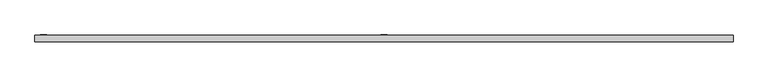
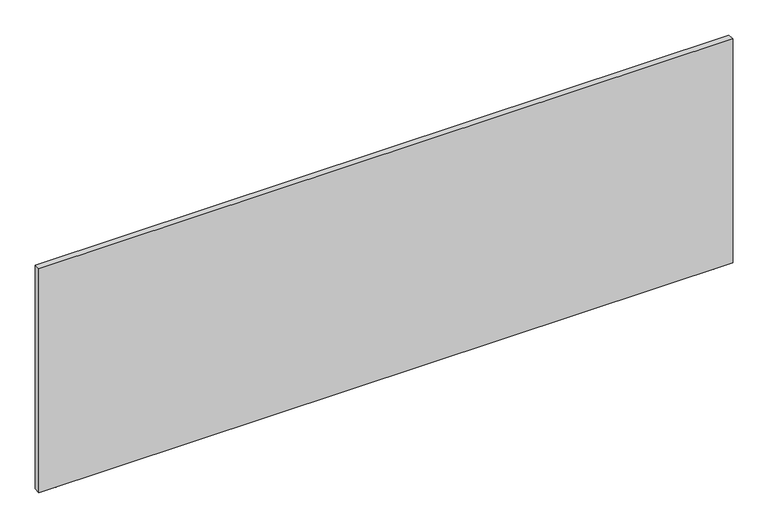
"""IFC4 building model written with IfcOpenShell, lengths in millimetres: furniture geometry."""

import ifcopenshell
import ifcopenshell.guid

model = None  # the IFC model being written
_history = None  # IfcOwnerHistory: only IFC2X3 demands one
_inside = {}  # id of a spatial element -> (the spatial element, [elements in it])
_under = {}  # id of a project, library or spatial element -> (it, [spatial elements below it])
_declared = {}  # id of a project -> (the project, [libraries it declares])
_typed = {}  # id of a type object -> (the type object, [elements of that type])
_made_of = {}  # id of a material, layer set ... -> (it, [elements and type objects made of it])


def new_model(schema):
    """Start an empty IFC model of exactly this schema.

    Asked for "IFC4X3", IfcOpenShell would pick the latest addendum, in which some entities
    have other attributes; the version numbers below select the first issue.
    IFC2X3 requires an IfcOwnerHistory on every rooted entity: one is made here for all.
    """
    global model, _history
    if schema == "IFC4X3":
        model = ifcopenshell.file(schema_version=(4, 3, 0, 0))
    else:
        model = ifcopenshell.file(schema=schema)
    _inside.clear()
    _under.clear()
    _declared.clear()
    _typed.clear()
    _made_of.clear()
    _history = None
    if model.schema == "IFC2X3":
        org = make("IfcOrganization", Name="unknown")
        user = make(
            "IfcPersonAndOrganization",
            ThePerson=make("IfcPerson", FamilyName="unknown"),
            TheOrganization=org,
        )
        app = make(
            "IfcApplication",
            ApplicationDeveloper=org,
            Version="unknown",
            ApplicationFullName="unknown",
            ApplicationIdentifier="unknown",
        )
        _history = make(
            "IfcOwnerHistory",
            OwningUser=user,
            OwningApplication=app,
            ChangeAction="ADDED",
            CreationDate=0,
        )
    return model


def make(cls, **values):
    """One entity of the class cls with the attributes given. An attribute that is None is left unset."""
    return model.create_entity(
        cls, **{name: value for name, value in values.items() if value is not None}
    )


def rooted(cls, **values):
    """An entity with a GlobalId (a new one), such as an element, a storey or a relation."""
    return make(cls, GlobalId=ifcopenshell.guid.new(), OwnerHistory=_history, **values)


def si_unit(unit_type, name, prefix=None):
    """IfcSIUnit, for example si_unit("LENGTHUNIT", "METRE", prefix="MILLI")."""
    return make("IfcSIUnit", UnitType=unit_type, Prefix=prefix, Name=name)


def assignment(units):
    """IfcUnitAssignment: the units of a project."""
    return None if units is None else make("IfcUnitAssignment", Units=units)


def point(xyz):
    """IfcCartesianPoint."""
    return None if xyz is None else make("IfcCartesianPoint", Coordinates=xyz)


def direction(xyz):
    """IfcDirection."""
    return None if xyz is None else make("IfcDirection", DirectionRatios=xyz)


def frame(location, z_axis=None, x_axis=None):
    """IfcAxis2Placement3D, a coordinate frame: its origin and axes. An axis left out is left unset."""
    return make(
        "IfcAxis2Placement3D",
        Location=point(location),
        Axis=direction(z_axis),
        RefDirection=direction(x_axis),
    )


def origin():
    """The frame at (0, 0, 0) with its axes left unset."""
    return frame((0.0, 0.0, 0.0))


def place(relative_to, where):
    """IfcLocalPlacement: puts the frame where relative to a parent placement (None: the world)."""
    return make(
        "IfcLocalPlacement", PlacementRelTo=relative_to, RelativePlacement=where
    )


def context(
    kind, dimensions, precision=None, world=None, true_north=None, identifier=None
):
    """IfcGeometricRepresentationContext, for example the 3D "Model" context."""
    return make(
        "IfcGeometricRepresentationContext",
        ContextIdentifier=identifier,
        ContextType=kind,
        CoordinateSpaceDimension=dimensions,
        Precision=precision,
        WorldCoordinateSystem=world,
        TrueNorth=true_north,
    )


def project(units=None, contexts=None):
    """IfcProject with its units and contexts."""
    return rooted(
        "IfcProject",
        Name="project",
        RepresentationContexts=contexts,
        UnitsInContext=assignment(units),
    )


def spatial(cls, under=None, at=None, **own):
    """A site, building, storey or space (cls), placed at a placement, below another one or the project."""
    s = rooted(cls, ObjectPlacement=at, **own)
    if under is not None:
        _under.setdefault(under.id(), (under, []))[1].append(s)
    return s


def polyline(points):
    """IfcPolyline through the points."""
    return make("IfcPolyline", Points=[point(p) for p in points])


def outline(outer, holes=None, kind="AREA"):
    """IfcArbitraryClosedProfileDef: a profile drawn as a closed curve; with holes, ...WithVoids."""
    if holes is None:
        return make("IfcArbitraryClosedProfileDef", ProfileType=kind, OuterCurve=outer)
    return make(
        "IfcArbitraryProfileDefWithVoids",
        ProfileType=kind,
        OuterCurve=outer,
        InnerCurves=holes,
    )


def extrude(swept, where, along, depth):
    """IfcExtrudedAreaSolid: the profile swept, set in the frame where, extruded along a direction by depth."""
    return make(
        "IfcExtrudedAreaSolid",
        SweptArea=swept,
        Position=where,
        ExtrudedDirection=direction(along),
        Depth=depth,
    )


def shape(context_of_items, identifier, shape_type, items):
    """IfcShapeRepresentation: the items that make up one representation, for example the "Body"."""
    return make(
        "IfcShapeRepresentation",
        ContextOfItems=context_of_items,
        RepresentationIdentifier=identifier,
        RepresentationType=shape_type,
        Items=items,
    )


def source(mapping_origin, context_of_items, identifier, shape_type, items):
    """IfcRepresentationMap: a shape defined once, which mapped items show again and again."""
    return make(
        "IfcRepresentationMap",
        MappingOrigin=mapping_origin,
        MappedRepresentation=shape(context_of_items, identifier, shape_type, items),
    )


def transform(
    local_origin,
    x_axis=None,
    y_axis=None,
    z_axis=None,
    scale=None,
    scale2=None,
    scale3=None,
    uniform=True,
):
    """IfcCartesianTransformationOperator3D, or its non-uniform kind. x_axis, y_axis, z_axis: its Axis1, 2, 3."""
    if uniform:
        return make(
            "IfcCartesianTransformationOperator3D",
            Axis1=direction(x_axis),
            Axis2=direction(y_axis),
            LocalOrigin=point(local_origin),
            Scale=scale,
            Axis3=direction(z_axis),
        )
    return make(
        "IfcCartesianTransformationOperator3DnonUniform",
        Axis1=direction(x_axis),
        Axis2=direction(y_axis),
        LocalOrigin=point(local_origin),
        Scale=scale,
        Axis3=direction(z_axis),
        Scale2=scale2,
        Scale3=scale3,
    )


def mapped(mapping_source, mapping_target):
    """IfcMappedItem: shows the shape of a source again, moved by a transform."""
    return make(
        "IfcMappedItem", MappingSource=mapping_source, MappingTarget=mapping_target
    )


def made_of(thing, what):
    """Note that an element or type object is made of a material, layer set ...; save() writes the relation."""
    if what is not None:
        _made_of.setdefault(what.id(), (what, []))[1].append(thing)
    return thing


def element(
    cls,
    number,
    at=None,
    inside=None,
    cuts=None,
    type_object=None,
    material=None,
    context=None,
    identifier="Body",
    shape_type=None,
    held_by="IfcProductDefinitionShape",
    body=None,
    shapes=None,
    **own,
):
    """One element of the class cls, such as IfcWall. Its Tag is "e" and its number.

    at: its placement. inside: the storey or other place that contains it. cuts: it is an
    opening in that element (IfcRelVoidsElement). A single representation is given by context,
    identifier, shape_type and body (its items); several are given by shapes. held_by: the class
    of the entity that holds the representations. save() writes the other relations.
    """
    e = rooted(cls, Tag="e%d" % number, ObjectPlacement=at, **own)
    if body is not None:
        shapes = [shape(context, identifier, shape_type, body)]
    if shapes is not None:
        e.Representation = make(held_by, Representations=shapes)
    if inside is not None:
        _inside.setdefault(inside.id(), (inside, []))[1].append(e)
    if cuts is not None:
        rooted(
            "IfcRelVoidsElement", RelatingBuildingElement=cuts, RelatedOpeningElement=e
        )
    if type_object is not None:
        _typed.setdefault(type_object.id(), (type_object, []))[1].append(e)
    return made_of(e, material)


def aggregate(whole, parts):
    """IfcRelAggregates: a whole, such as a stair, and the parts it consists of."""
    return rooted("IfcRelAggregates", RelatingObject=whole, RelatedObjects=parts)


def save(model, path):
    """Write the relations noted so far, then the file.

    IfcRelAggregates (storeys below a building ...), IfcRelContainedInSpatialStructure (elements
    in a storey), IfcRelDefinesByType, IfcRelAssociatesMaterial and IfcRelDeclares: one each for
    every whole, place, type object, material and project.
    """
    for whole, parts in _under.values():
        aggregate(whole, parts)
    for where, things in _inside.values():
        rooted(
            "IfcRelContainedInSpatialStructure",
            RelatedElements=things,
            RelatingStructure=where,
        )
    for kind, things in _typed.values():
        rooted("IfcRelDefinesByType", RelatedObjects=things, RelatingType=kind)
    for what, things in _made_of.values():
        rooted("IfcRelAssociatesMaterial", RelatedObjects=things, RelatingMaterial=what)
    for by, libraries in _declared.values():
        rooted("IfcRelDeclares", RelatingContext=by, RelatedDefinitions=libraries)
    model.write(path)


def furniture_4b2fbe05(model_context):
    return source(origin(), model_context, "Body", "SweptSolid", [
        extrude(outline(polyline([(3056.2488924, -11.8668799), (3057.525, -16.6293799), (3056.2488924, -21.391881), (3052.7625, -24.8782712), (3048.0, -26.154381), (3043.2375, -24.8782712), (3039.7511122, -21.391881), (3038.475, -16.6293799), (3039.7511122, -11.8668799), (3043.2375, -8.3804881), (3048.0, -7.1043799), (3052.7625, -8.3804881), (3056.2488924, -11.8668799)])), frame((0.0, 0.0, 20.0914001), z_axis=(0.0, 0.0, 1.0), x_axis=(1.0, 0.0, 0.0)), (0.0, 0.0, 1.0), 1.2699999),
        extrude(outline(polyline([(3042.5007354, -7.1043799), (3053.4992601, -7.1043799), (3058.9985247, -16.6293799), (3053.4992601, -26.154381), (3042.5007354, -26.154381), (3037.0014798, -16.6293799), (3042.5007354, -7.1043799)])), frame((0.0, 0.0, 16.129), z_axis=(0.0, 0.0, 1.0), x_axis=(1.0, 0.0, 0.0)), (0.0, 0.0, 1.0), 3.9624001),
        extrude(outline(polyline([(67.9511076, -11.8668799), (71.4375, -8.3804881), (76.2, -7.1043799), (80.9625, -8.3804881), (84.4488878, -11.8668799), (85.725, -16.6293799), (84.4488878, -21.391881), (80.9625, -24.8782712), (76.2, -26.154381), (71.4375, -24.8782712), (67.9511076, -21.391881), (66.675, -16.6293799), (67.9511076, -11.8668799)])), frame((0.0, 0.0, 20.0914001), z_axis=(0.0, 0.0, 1.0), x_axis=(1.0, 0.0, 0.0)), (0.0, 0.0, 1.0), 1.2699999),
        extrude(outline(polyline([(81.6992646, -7.1043799), (87.1985202, -16.6293799), (81.6992646, -26.154381), (70.7007399, -26.154381), (65.2014753, -16.6293799), (70.7007399, -7.1043799), (81.6992646, -7.1043799)])), frame((0.0, 0.0, 16.129), z_axis=(0.0, 0.0, 1.0), x_axis=(1.0, 0.0, 0.0)), (0.0, 0.0, 1.0), 3.9624001),
        extrude(outline(polyline([(1576.3875, -1.89738), (1547.8125, -1.89738), (1547.8125, 0.0), (1576.3875, 0.0), (1576.3875, -1.89738)])), frame((0.0, 0.0, 118.4910023), z_axis=(0.0, 0.0, 1.0), x_axis=(1.0, 0.0, 0.0)), (0.0, 0.0, 1.0), 365.2012096),
        extrude(outline(polyline([(52.3875, -1.89738), (23.8125, -1.89738), (23.8125, 0.0), (52.3875, 0.0), (52.3875, -1.89738)])), frame((0.0, 0.0, 118.4910023), z_axis=(0.0, 0.0, 1.0), x_axis=(1.0, 0.0, 0.0)), (0.0, 0.0, 1.0), 365.2012096),
        extrude(outline(polyline([(3124.2, -1.89738), (3124.2, -31.6153804), (0.0, -31.6153804), (0.0, -1.89738), (3124.2, -1.89738)])), frame((0.0, 0.0, 21.3614), z_axis=(0.0, 0.0, 1.0), x_axis=(1.0, 0.0, 0.0)), (0.0, 0.0, 1.0), 1065.5300156),
    ])


if __name__ == "__main__":
    model = new_model("IFC4")
    model_context = context("Model", 3, world=origin())
    ifc_project = project(units=[si_unit("LENGTHUNIT", "METRE", prefix="MILLI")], contexts=[model_context])
    site = spatial("IfcSite", under=ifc_project)
    building = spatial("IfcBuilding", under=site)
    placement = place(None, origin())
    furniture_shape = furniture_4b2fbe05(model_context)
    element("IfcFurniture", 1, at=placement, inside=building, context=model_context, shape_type="MappedRepresentation", body=[
        mapped(furniture_shape, transform((0.0, 0.0, 0.0), x_axis=(1.0, 0.0, 0.0), y_axis=(0.0, 1.0, 0.0), z_axis=(0.0, 0.0, 1.0))),
    ])
    save(model, "model.ifc")
